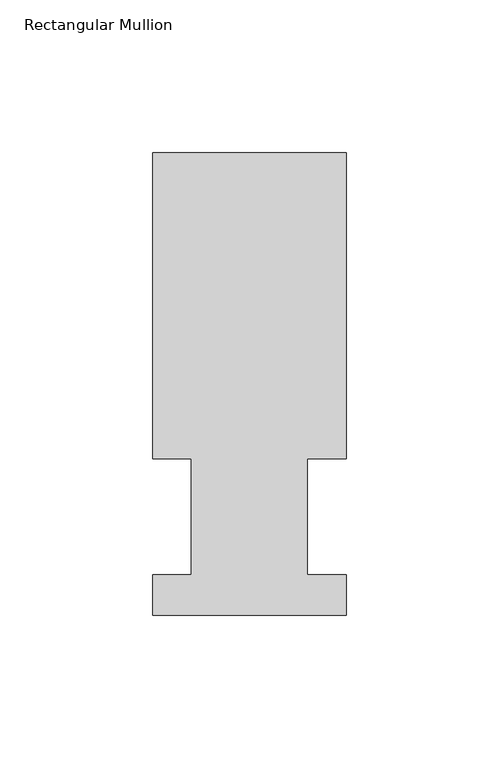
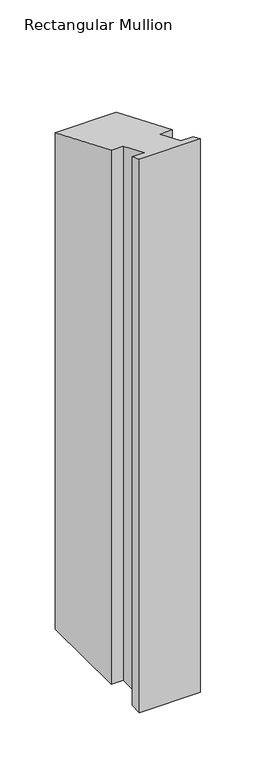
"""IFC4 building model written with IfcOpenShell, lengths in millimetres: member geometry, Rectangular Mullion."""

from ifc_helpers import new_model, si_unit, origin, place, context, project, spatial, faceted_brep, source, transform, mapped, element, save


def rectangular_mullion_b73c2942(model_context):
    return source(origin(), model_context, "Body", "Brep", [
        faceted_brep([(-1e-07, 13.1960936, -609.587333), (-2e-07, 0.0134936, -609.587333), (-63.5000001, 0.0134937, -609.587333), (-63.5000001, 13.1960937, -609.587333), (-50.8000001, 13.1960937, -609.587333), (-50.8, 51.2960937, -609.587333), (-63.5000001, 51.2960937, -609.587333), (-63.4999999, 151.7022937, -609.587333), (1e-07, 151.7022936, -609.587333), (-1e-07, 51.2960936, -609.587333), (-12.6873, 51.2960936, -609.587333), (-12.6873001, 13.1960936, -609.587333), (-12.6873001, 13.1960936, -5.4660009), (-1e-07, 13.1960936, -5.4660009), (-12.6873, 51.2960936, -21.2475377), (-1e-07, 51.2960936, -21.2475377), (1e-07, 151.7022936, -62.8371474), (-63.4999999, 151.7022937, -62.8371475), (-63.5000001, 51.2960937, -21.2475377), (-50.8, 51.2960937, -21.2475377), (-50.8000001, 13.1960937, -5.466001), (-63.5000001, 13.1960937, -5.466001), (-63.5000001, 0.0134937, -0.0055893), (-2e-07, 0.0134936, -0.0055892)], [[[0, 1, 2, 3, 4, 5, 6, 7, 8, 9, 10, 11]], [[12, 13, 0, 11]], [[14, 12, 11, 10]], [[15, 14, 10, 9]], [[16, 15, 9, 8]], [[17, 16, 8, 7]], [[18, 17, 7, 6]], [[19, 18, 6, 5]], [[20, 19, 5, 4]], [[21, 20, 4, 3]], [[22, 21, 3, 2]], [[23, 22, 2, 1]], [[13, 23, 1, 0]], [[13, 12, 14, 15, 16, 17, 18, 19, 20, 21, 22, 23]]]),
    ])


if __name__ == "__main__":
    model = new_model("IFC4")
    model_context = context("Model", 3, world=origin())
    ifc_project = project(units=[si_unit("LENGTHUNIT", "METRE", prefix="MILLI")], contexts=[model_context])
    site = spatial("IfcSite", under=ifc_project)
    building = spatial("IfcBuilding", under=site)
    placement = place(None, origin())
    rectangular_mullion_shape = rectangular_mullion_b73c2942(model_context)
    element("IfcMember", 1, ObjectType="Rectangular Mullion", at=placement, inside=building, context=model_context, shape_type="MappedRepresentation", body=[
        mapped(rectangular_mullion_shape, transform((0.0, 0.0, 0.0), x_axis=(1.0, 0.0, 0.0), y_axis=(0.0, 1.0, 0.0), z_axis=(0.0, 0.0, 1.0))),
    ])
    save(model, "model.ifc")
